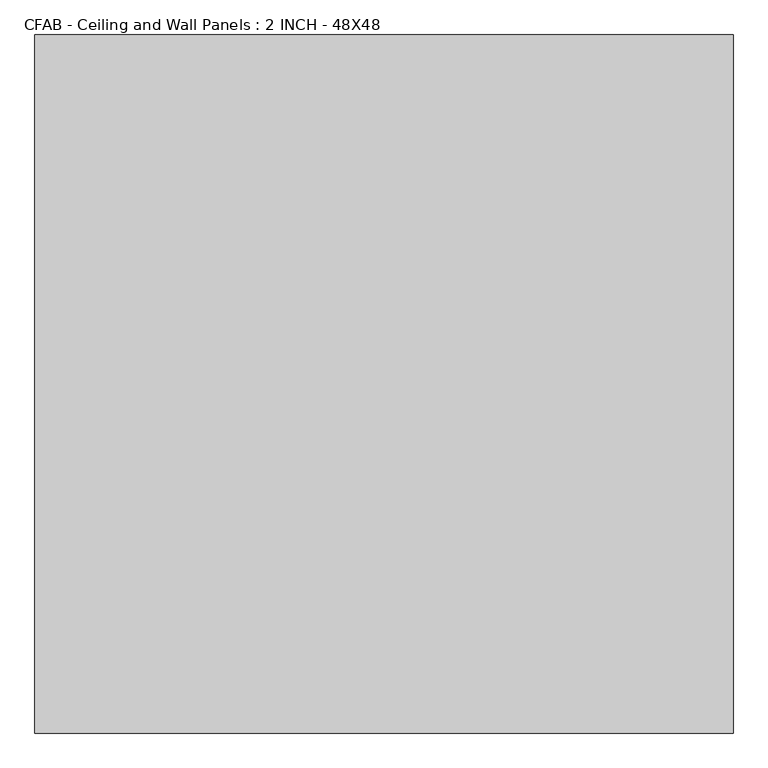
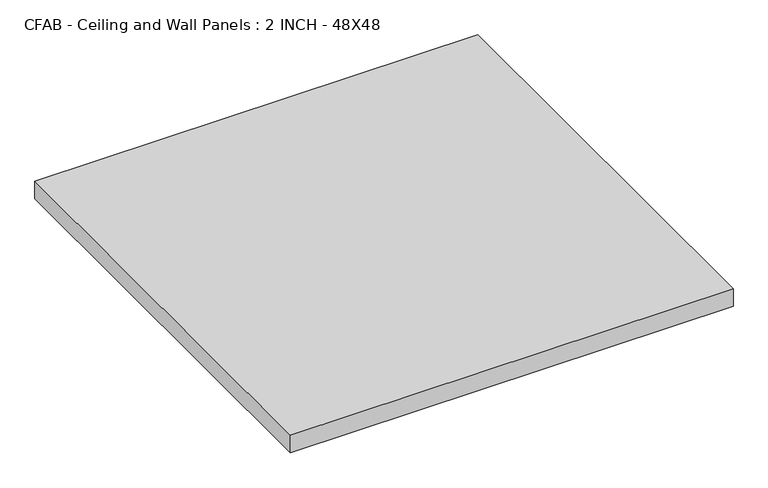
"""IFC4 building model written with IfcOpenShell, lengths in millimetres: proxy geometry, CFAB - Ceiling and Wall Panels : 2 INCH - 48X48."""

import ifcopenshell
import ifcopenshell.guid

model = None  # the IFC model being written
_history = None  # IfcOwnerHistory: only IFC2X3 demands one
_inside = {}  # id of a spatial element -> (the spatial element, [elements in it])
_under = {}  # id of a project, library or spatial element -> (it, [spatial elements below it])
_declared = {}  # id of a project -> (the project, [libraries it declares])
_typed = {}  # id of a type object -> (the type object, [elements of that type])
_made_of = {}  # id of a material, layer set ... -> (it, [elements and type objects made of it])


def new_model(schema):
    """Start an empty IFC model of exactly this schema.

    Asked for "IFC4X3", IfcOpenShell would pick the latest addendum, in which some entities
    have other attributes; the version numbers below select the first issue.
    IFC2X3 requires an IfcOwnerHistory on every rooted entity: one is made here for all.
    """
    global model, _history
    if schema == "IFC4X3":
        model = ifcopenshell.file(schema_version=(4, 3, 0, 0))
    else:
        model = ifcopenshell.file(schema=schema)
    _inside.clear()
    _under.clear()
    _declared.clear()
    _typed.clear()
    _made_of.clear()
    _history = None
    if model.schema == "IFC2X3":
        org = make("IfcOrganization", Name="unknown")
        user = make(
            "IfcPersonAndOrganization",
            ThePerson=make("IfcPerson", FamilyName="unknown"),
            TheOrganization=org,
        )
        app = make(
            "IfcApplication",
            ApplicationDeveloper=org,
            Version="unknown",
            ApplicationFullName="unknown",
            ApplicationIdentifier="unknown",
        )
        _history = make(
            "IfcOwnerHistory",
            OwningUser=user,
            OwningApplication=app,
            ChangeAction="ADDED",
            CreationDate=0,
        )
    return model


def make(cls, **values):
    """One entity of the class cls with the attributes given. An attribute that is None is left unset."""
    return model.create_entity(
        cls, **{name: value for name, value in values.items() if value is not None}
    )


def rooted(cls, **values):
    """An entity with a GlobalId (a new one), such as an element, a storey or a relation."""
    return make(cls, GlobalId=ifcopenshell.guid.new(), OwnerHistory=_history, **values)


def si_unit(unit_type, name, prefix=None):
    """IfcSIUnit, for example si_unit("LENGTHUNIT", "METRE", prefix="MILLI")."""
    return make("IfcSIUnit", UnitType=unit_type, Prefix=prefix, Name=name)


def assignment(units):
    """IfcUnitAssignment: the units of a project."""
    return None if units is None else make("IfcUnitAssignment", Units=units)


def point(xyz):
    """IfcCartesianPoint."""
    return None if xyz is None else make("IfcCartesianPoint", Coordinates=xyz)


def direction(xyz):
    """IfcDirection."""
    return None if xyz is None else make("IfcDirection", DirectionRatios=xyz)


def frame(location, z_axis=None, x_axis=None):
    """IfcAxis2Placement3D, a coordinate frame: its origin and axes. An axis left out is left unset."""
    return make(
        "IfcAxis2Placement3D",
        Location=point(location),
        Axis=direction(z_axis),
        RefDirection=direction(x_axis),
    )


def origin():
    """The frame at (0, 0, 0) with its axes left unset."""
    return frame((0.0, 0.0, 0.0))


def origin_with_axes():
    """The frame at (0, 0, 0) with the z axis (0, 0, 1) and the x axis (1, 0, 0) written out."""
    return frame((0.0, 0.0, 0.0), z_axis=(0.0, 0.0, 1.0), x_axis=(1.0, 0.0, 0.0))


def place(relative_to, where):
    """IfcLocalPlacement: puts the frame where relative to a parent placement (None: the world)."""
    return make(
        "IfcLocalPlacement", PlacementRelTo=relative_to, RelativePlacement=where
    )


def context(
    kind, dimensions, precision=None, world=None, true_north=None, identifier=None
):
    """IfcGeometricRepresentationContext, for example the 3D "Model" context."""
    return make(
        "IfcGeometricRepresentationContext",
        ContextIdentifier=identifier,
        ContextType=kind,
        CoordinateSpaceDimension=dimensions,
        Precision=precision,
        WorldCoordinateSystem=world,
        TrueNorth=true_north,
    )


def project(units=None, contexts=None):
    """IfcProject with its units and contexts."""
    return rooted(
        "IfcProject",
        Name="project",
        RepresentationContexts=contexts,
        UnitsInContext=assignment(units),
    )


def spatial(cls, under=None, at=None, **own):
    """A site, building, storey or space (cls), placed at a placement, below another one or the project."""
    s = rooted(cls, ObjectPlacement=at, **own)
    if under is not None:
        _under.setdefault(under.id(), (under, []))[1].append(s)
    return s


def polyline(points):
    """IfcPolyline through the points."""
    return make("IfcPolyline", Points=[point(p) for p in points])


def outline(outer, holes=None, kind="AREA"):
    """IfcArbitraryClosedProfileDef: a profile drawn as a closed curve; with holes, ...WithVoids."""
    if holes is None:
        return make("IfcArbitraryClosedProfileDef", ProfileType=kind, OuterCurve=outer)
    return make(
        "IfcArbitraryProfileDefWithVoids",
        ProfileType=kind,
        OuterCurve=outer,
        InnerCurves=holes,
    )


def extrude(swept, where, along, depth):
    """IfcExtrudedAreaSolid: the profile swept, set in the frame where, extruded along a direction by depth."""
    return make(
        "IfcExtrudedAreaSolid",
        SweptArea=swept,
        Position=where,
        ExtrudedDirection=direction(along),
        Depth=depth,
    )


def shape(context_of_items, identifier, shape_type, items):
    """IfcShapeRepresentation: the items that make up one representation, for example the "Body"."""
    return make(
        "IfcShapeRepresentation",
        ContextOfItems=context_of_items,
        RepresentationIdentifier=identifier,
        RepresentationType=shape_type,
        Items=items,
    )


def source(mapping_origin, context_of_items, identifier, shape_type, items):
    """IfcRepresentationMap: a shape defined once, which mapped items show again and again."""
    return make(
        "IfcRepresentationMap",
        MappingOrigin=mapping_origin,
        MappedRepresentation=shape(context_of_items, identifier, shape_type, items),
    )


def transform(
    local_origin,
    x_axis=None,
    y_axis=None,
    z_axis=None,
    scale=None,
    scale2=None,
    scale3=None,
    uniform=True,
):
    """IfcCartesianTransformationOperator3D, or its non-uniform kind. x_axis, y_axis, z_axis: its Axis1, 2, 3."""
    if uniform:
        return make(
            "IfcCartesianTransformationOperator3D",
            Axis1=direction(x_axis),
            Axis2=direction(y_axis),
            LocalOrigin=point(local_origin),
            Scale=scale,
            Axis3=direction(z_axis),
        )
    return make(
        "IfcCartesianTransformationOperator3DnonUniform",
        Axis1=direction(x_axis),
        Axis2=direction(y_axis),
        LocalOrigin=point(local_origin),
        Scale=scale,
        Axis3=direction(z_axis),
        Scale2=scale2,
        Scale3=scale3,
    )


def mapped(mapping_source, mapping_target):
    """IfcMappedItem: shows the shape of a source again, moved by a transform."""
    return make(
        "IfcMappedItem", MappingSource=mapping_source, MappingTarget=mapping_target
    )


def made_of(thing, what):
    """Note that an element or type object is made of a material, layer set ...; save() writes the relation."""
    if what is not None:
        _made_of.setdefault(what.id(), (what, []))[1].append(thing)
    return thing


def element(
    cls,
    number,
    at=None,
    inside=None,
    cuts=None,
    type_object=None,
    material=None,
    context=None,
    identifier="Body",
    shape_type=None,
    held_by="IfcProductDefinitionShape",
    body=None,
    shapes=None,
    **own,
):
    """One element of the class cls, such as IfcWall. Its Tag is "e" and its number.

    at: its placement. inside: the storey or other place that contains it. cuts: it is an
    opening in that element (IfcRelVoidsElement). A single representation is given by context,
    identifier, shape_type and body (its items); several are given by shapes. held_by: the class
    of the entity that holds the representations. save() writes the other relations.
    """
    e = rooted(cls, Tag="e%d" % number, ObjectPlacement=at, **own)
    if body is not None:
        shapes = [shape(context, identifier, shape_type, body)]
    if shapes is not None:
        e.Representation = make(held_by, Representations=shapes)
    if inside is not None:
        _inside.setdefault(inside.id(), (inside, []))[1].append(e)
    if cuts is not None:
        rooted(
            "IfcRelVoidsElement", RelatingBuildingElement=cuts, RelatedOpeningElement=e
        )
    if type_object is not None:
        _typed.setdefault(type_object.id(), (type_object, []))[1].append(e)
    return made_of(e, material)


def aggregate(whole, parts):
    """IfcRelAggregates: a whole, such as a stair, and the parts it consists of."""
    return rooted("IfcRelAggregates", RelatingObject=whole, RelatedObjects=parts)


def save(model, path):
    """Write the relations noted so far, then the file.

    IfcRelAggregates (storeys below a building ...), IfcRelContainedInSpatialStructure (elements
    in a storey), IfcRelDefinesByType, IfcRelAssociatesMaterial and IfcRelDeclares: one each for
    every whole, place, type object, material and project.
    """
    for whole, parts in _under.values():
        aggregate(whole, parts)
    for where, things in _inside.values():
        rooted(
            "IfcRelContainedInSpatialStructure",
            RelatedElements=things,
            RelatingStructure=where,
        )
    for kind, things in _typed.values():
        rooted("IfcRelDefinesByType", RelatedObjects=things, RelatingType=kind)
    for what, things in _made_of.values():
        rooted("IfcRelAssociatesMaterial", RelatedObjects=things, RelatingMaterial=what)
    for by, libraries in _declared.values():
        rooted("IfcRelDeclares", RelatingContext=by, RelatedDefinitions=libraries)
    model.write(path)


def cfab_ceiling_and_wall_panels_2_inch_48x48_2eef9029(model_context):
    return source(origin(), model_context, "Body", "SweptSolid", [
        extrude(outline(polyline([(-609.6, 609.6), (609.6, 609.6), (609.6, -609.6), (-609.6, -609.6), (-609.6, 609.6)])), origin_with_axes(), (0.0, 0.0, 1.0), 50.8),
    ])


if __name__ == "__main__":
    model = new_model("IFC4")
    model_context = context("Model", 3, world=origin())
    ifc_project = project(units=[si_unit("LENGTHUNIT", "METRE", prefix="MILLI")], contexts=[model_context])
    site = spatial("IfcSite", under=ifc_project)
    building = spatial("IfcBuilding", under=site)
    placement = place(None, origin())
    cfab_ceiling_and_wall_panels_2_inch_48x48_shape = cfab_ceiling_and_wall_panels_2_inch_48x48_2eef9029(model_context)
    element("IfcBuildingElementProxy", 1, Name="CFAB - Ceiling and Wall Panels : 2 INCH - 48X48", ObjectType="CFAB - Ceiling and Wall Panels : 2 INCH - 48X48", at=placement, inside=building, context=model_context, shape_type="MappedRepresentation", body=[
        mapped(cfab_ceiling_and_wall_panels_2_inch_48x48_shape, transform((0.0, 0.0, 0.0), x_axis=(1.0, 0.0, 0.0), y_axis=(0.0, 1.0, 0.0), z_axis=(0.0, 0.0, 1.0))),
    ])
    save(model, "model.ifc")
